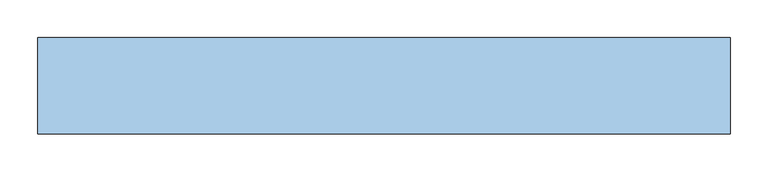
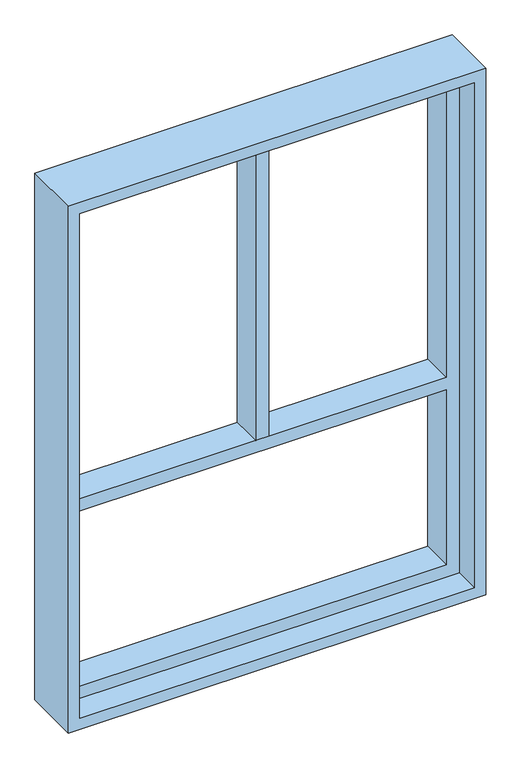
"""IFC4 building model written with IfcOpenShell, lengths in millimetres: window geometry."""

from ifc_helpers import new_model, si_unit, frame, origin, place, context, project, spatial, polyline, outline, extrude, source, transform, mapped, element, save


def window_f920fdaf(model_context):
    return source(origin(), model_context, "Body", "SweptSolid", [
        extrude(outline(polyline([(2108.2, -431.8), (939.8, -431.8), (939.8, 431.8), (2108.2, 431.8), (2108.2, -431.8)]), holes=[polyline([(2079.625, -403.225), (2079.625, 403.225), (1401.7625, 403.225), (1401.7625, -403.225), (2079.625, -403.225)]), polyline([(1373.1875, -403.225), (1373.1875, 403.225), (968.375, 403.225), (968.375, -403.225), (1373.1875, -403.225)])]), frame((0.0, -19.05, 0.0), z_axis=(0.0, 1.0, 0.0), x_axis=(0.0, 0.0, 1.0)), (0.0, 0.0, 1.0), 69.85),
        extrude(outline(polyline([(2133.6, -457.2), (914.4, -457.2), (914.4, 457.2), (2133.6, 457.2), (2133.6, -457.2)]), holes=[polyline([(2108.2, -431.8), (2108.2, 431.8), (939.8, 431.8), (939.8, -431.8), (2108.2, -431.8)])]), frame((0.0, -76.2, 0.0), z_axis=(0.0, 1.0, 0.0), x_axis=(0.0, 0.0, 1.0)), (0.0, 0.0, 1.0), 127.0),
        extrude(outline(polyline([(-14.2875, -19.05), (-14.2875, 50.8), (14.2875, 50.8), (14.2875, -19.05), (-14.2875, -19.05)])), frame((0.0, 0.0, 1401.7625), z_axis=(0.0, 0.0, 1.0), x_axis=(1.0, 0.0, 0.0)), (0.0, 0.0, 1.0), 677.8625),
    ])


if __name__ == "__main__":
    model = new_model("IFC4")
    model_context = context("Model", 3, world=origin())
    ifc_project = project(units=[si_unit("LENGTHUNIT", "METRE", prefix="MILLI")], contexts=[model_context])
    site = spatial("IfcSite", under=ifc_project)
    building = spatial("IfcBuilding", under=site)
    placement = place(None, origin())
    window_shape = window_f920fdaf(model_context)
    element("IfcWindow", 1, at=placement, inside=building, context=model_context, shape_type="MappedRepresentation", body=[
        mapped(window_shape, transform((0.0, 0.0, 0.0), x_axis=(1.0, 0.0, 0.0), y_axis=(0.0, 1.0, 0.0), z_axis=(0.0, 0.0, 1.0))),
    ])
    save(model, "model.ifc")
